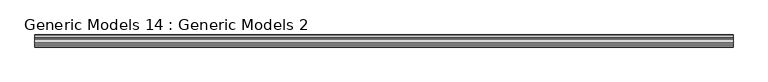
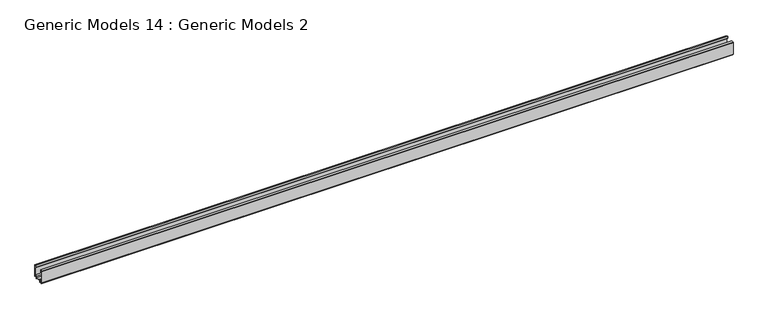
"""IFC4 building model written with IfcOpenShell, lengths in millimetres: proxy geometry, Generic Models 14 : Generic Models 2."""

from ifc_helpers import new_model, si_unit, frame, origin, place, context, project, spatial, polyline, outline, extrude, source, transform, mapped, element, save


def generic_models_14_generic_models_2_35c0e34f(model_context):
    return source(origin(), model_context, "Body", "SweptSolid", [
        extrude(outline(polyline([(96.6564373, 9.0855634), (97.5159167, 9.5621915), (97.5159167, 10.6129785), (87.6144227, 12.0274777), (87.6144227, 13.3996265), (99.7689512, 13.3996265), (99.7689512, 57.926704), (97.4566263, 57.926704), (97.4566263, 62.1956116), (99.2353378, 67.057423), (97.4566263, 67.3538749), (97.4566263, 70.4962652), (102.9113415, 70.4962652), (102.9113415, 5.9883287), (99.7689512, 5.9883287), (99.7689512, 8.3006536), (98.3610745, 8.3006536), (97.3477478, 7.6419912), (96.6071928, 8.1356945), (96.6564373, 9.0855634)])), frame((-4586.4665824, 0.0, 0.0), z_axis=(1.0, 0.0, 0.0), x_axis=(0.0, 1.0, 0.0)), (0.0, 0.0, 1.0), 3657.6),
        extrude(outline(polyline([(101.2989028, 71.732598), (101.2989028, 70.6939849), (97.1660407, 70.6939849), (97.1660407, 66.9277471), (98.7080775, 66.670741), (97.1660407, 62.4558402), (97.1660407, 57.926704), (95.9607367, 57.926704), (89.8674573, 63.1753705), (89.8674573, 74.7809835), (101.2989028, 71.732598)])), frame((-4586.4665824, 0.0, 0.0), z_axis=(1.0, 0.0, 0.0), x_axis=(0.0, 1.0, 0.0)), (0.0, 0.0, 1.0), 3657.6),
        extrude(outline(polyline([(41.960828, 58.6381886), (41.960828, 15.7119514), (58.0285217, 15.7119514), (58.0285217, 8.834267), (83.938419, 8.834267), (83.938419, 15.7119514), (99.4132089, 15.7119514), (99.4132089, 14.1704015), (85.954292, 14.1704015), (85.954292, 8.834267), (89.6895861, 8.834267), (90.9939745, 7.5298786), (97.8123686, 7.5298786), (98.7610147, 8.1820728), (99.5910801, 7.6484594), (99.5910801, 6.2847806), (90.9939745, 6.2847806), (90.9939745, 0.0), (88.9781015, 0.0), (88.9781015, 6.2847806), (57.9099409, 6.2847806), (57.9099409, 0.0), (55.8940679, 0.0), (55.8940679, 6.2847806), (44.9846375, 6.2847806), (44.9846375, 0.0), (42.9687645, 0.0), (42.9687645, 6.2847806), (39.4113415, 6.2847806), (39.4113415, 68.7120125), (46.5261874, 69.3104575), (46.5261874, 64.270775), (45.221799, 64.0480745), (45.221799, 66.081298), (43.6311408, 66.081298), (42.7457191, 64.182505), (42.7457191, 61.9010859), (43.7395394, 60.1797386), (45.221799, 60.1797386), (45.221799, 61.9880557), (46.5261874, 60.6837832), (46.5261874, 58.6381886), (41.960828, 58.6381886)]), holes=[polyline([(42.5537318, 8.4192344), (55.8940679, 8.4192344), (55.8940679, 14.1704015), (42.5537318, 14.1704015), (42.5537318, 8.4192344)])]), frame((-4586.4665824, 0.0, 0.0), z_axis=(1.0, 0.0, 0.0), x_axis=(0.0, 1.0, 0.0)), (0.0, 0.0, 1.0), 3657.6),
        extrude(outline(polyline([(49.8674573, 73.2908075), (49.8674573, 58.6381886), (46.8330329, 58.6381886), (46.8330329, 60.8664286), (44.9946215, 62.7048399), (44.9946215, 60.4504517), (43.9054346, 60.4504517), (43.0449863, 61.940792), (43.0449863, 64.0210905), (43.8850318, 65.8225741), (44.9093808, 65.8225741), (44.9093808, 63.7843107), (46.8330329, 64.1127391), (46.8330329, 69.5530389), (39.9088178, 68.9706283), (39.9088178, 71.0720433), (49.8674573, 73.2908075)])), frame((-4586.4665824, 0.0, 0.0), z_axis=(1.0, 0.0, 0.0), x_axis=(0.0, 1.0, 0.0)), (0.0, 0.0, 1.0), 3657.6),
    ])


if __name__ == "__main__":
    model = new_model("IFC4")
    model_context = context("Model", 3, world=origin())
    ifc_project = project(units=[si_unit("LENGTHUNIT", "METRE", prefix="MILLI")], contexts=[model_context])
    site = spatial("IfcSite", under=ifc_project)
    building = spatial("IfcBuilding", under=site)
    placement = place(None, origin())
    generic_models_14_generic_models_2_shape = generic_models_14_generic_models_2_35c0e34f(model_context)
    element("IfcBuildingElementProxy", 1, Name="Generic Models 14 : Generic Models 2", ObjectType="Generic Models 14 : Generic Models 2", at=placement, inside=building, context=model_context, shape_type="MappedRepresentation", body=[
        mapped(generic_models_14_generic_models_2_shape, transform((0.0, 0.0, 0.0), x_axis=(1.0, 0.0, 0.0), y_axis=(0.0, 1.0, 0.0), z_axis=(0.0, 0.0, 1.0))),
    ])
    save(model, "model.ifc")
